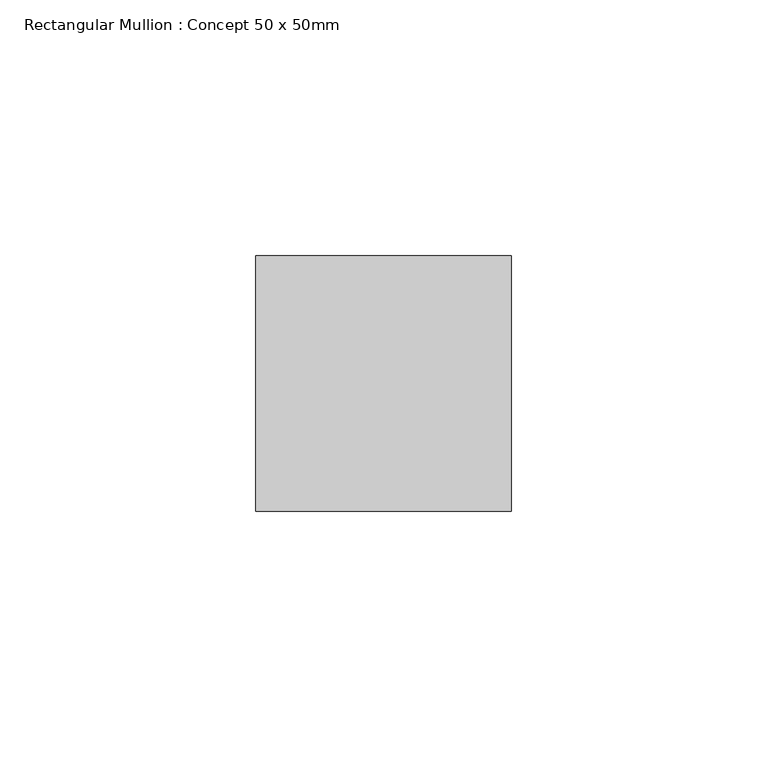
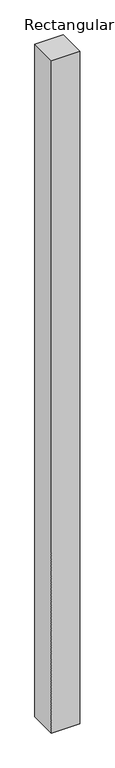
"""IFC4 building model written with IfcOpenShell, lengths in millimetres: member geometry, Rectangular Mullion : Concept 50 x 50mm."""

from ifc_helpers import new_model, si_unit, frame, origin, place, context, project, spatial, polyline, outline, extrude, source, transform, mapped, element, save


def rectangular_mullion_concept_50_x_50mm_5161f66c(model_context):
    return source(origin(), model_context, "Body", "SweptSolid", [
        extrude(outline(polyline([(25.0, 50.0), (25.0, 0.0), (-25.0, 0.0), (-25.0, 50.0), (25.0, 50.0)])), frame((0.0, 0.0, -1246.8941641), z_axis=(0.0, 0.0, 1.0), x_axis=(1.0, 0.0, 0.0)), (0.0, 0.0, 1.0), 1246.8941641),
    ])


if __name__ == "__main__":
    model = new_model("IFC4")
    model_context = context("Model", 3, world=origin())
    ifc_project = project(units=[si_unit("LENGTHUNIT", "METRE", prefix="MILLI")], contexts=[model_context])
    site = spatial("IfcSite", under=ifc_project)
    building = spatial("IfcBuilding", under=site)
    placement = place(None, origin())
    rectangular_mullion_concept_50_x_50mm_shape = rectangular_mullion_concept_50_x_50mm_5161f66c(model_context)
    element("IfcMember", 1, ObjectType="Rectangular Mullion : Concept 50 x 50mm", at=placement, inside=building, context=model_context, shape_type="MappedRepresentation", body=[
        mapped(rectangular_mullion_concept_50_x_50mm_shape, transform((0.0, 0.0, 0.0), x_axis=(1.0, 0.0, 0.0), y_axis=(0.0, 1.0, 0.0), z_axis=(0.0, 0.0, 1.0))),
    ])
    save(model, "model.ifc")
